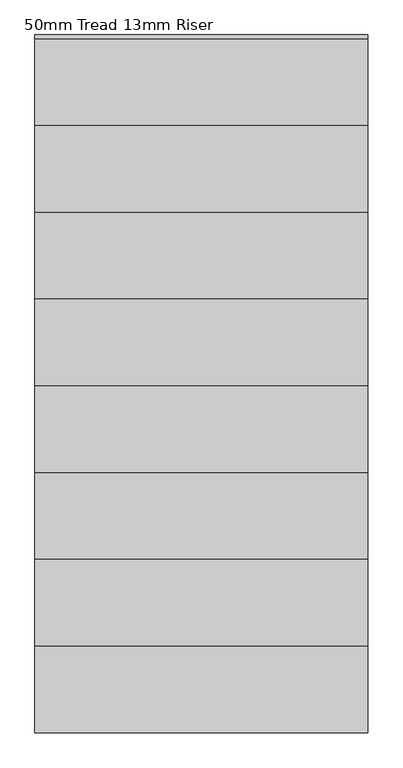
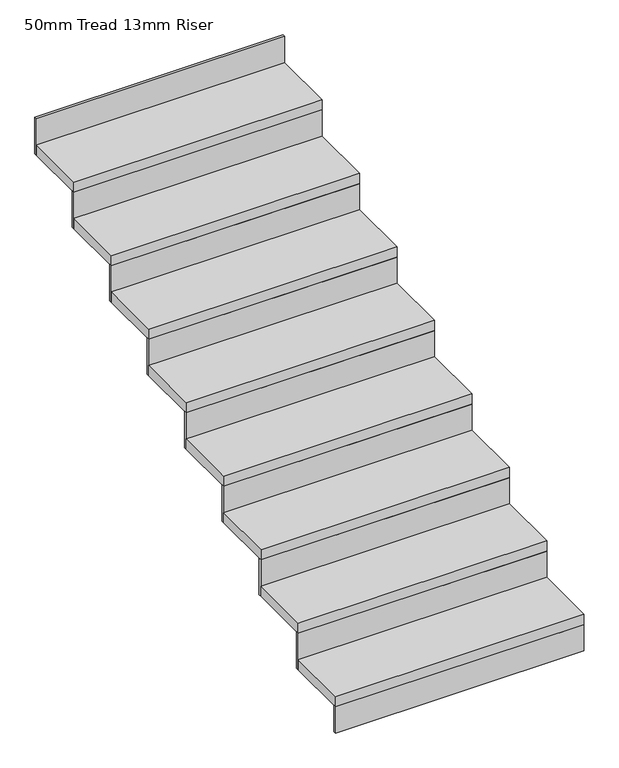
"""IFC4 building model written with IfcOpenShell, lengths in millimetres: stair flight geometry, 50mm Tread 13mm Riser."""

from ifc_helpers import new_model, si_unit, frame, origin, place, context, project, spatial, polyline, outline, extrude, source, transform, mapped, element, save


def stair_flight_50mm_tread_13mm_riser_8bbaaea0(model_context):
    return source(origin(), model_context, "Body", "SweptSolid", [
        extrude(outline(polyline([(1545.5456242, -11461.1525014), (1545.5456242, -11473.6525014), (395.5456243, -11473.6525014), (395.5456243, -11461.1525014), (1545.5456242, -11461.1525014)])), frame((0.0, 0.0, -6400.0), z_axis=(0.0, 0.0, 1.0), x_axis=(1.0, 0.0, 0.0)), (0.0, 0.0, 1.0), 127.7777778),
        extrude(outline(polyline([(395.5456243, -11173.6525014), (1545.5456242, -11173.6525014), (1545.5456242, -11473.6525014), (395.5456243, -11473.6525014), (395.5456243, -11173.6525014)])), frame((0.0, 0.0, -6272.2222222), z_axis=(0.0, 0.0, 1.0), x_axis=(1.0, 0.0, 0.0)), (0.0, 0.0, 1.0), 50.0),
        extrude(outline(polyline([(1545.5456242, -11161.1525014), (1545.5456242, -11173.6525014), (395.5456243, -11173.6525014), (395.5456243, -11161.1525014), (1545.5456242, -11161.1525014)])), frame((0.0, 0.0, -6272.2222222), z_axis=(0.0, 0.0, 1.0), x_axis=(1.0, 0.0, 0.0)), (0.0, 0.0, 1.0), 177.7777778),
        extrude(outline(polyline([(395.5456243, -10873.6525014), (1545.5456242, -10873.6525014), (1545.5456242, -11173.6525014), (395.5456243, -11173.6525014), (395.5456243, -10873.6525014)])), frame((0.0, 0.0, -6094.4444444), z_axis=(0.0, 0.0, 1.0), x_axis=(1.0, 0.0, 0.0)), (0.0, 0.0, 1.0), 50.0),
        extrude(outline(polyline([(1545.5456242, -10861.1525014), (1545.5456242, -10873.6525014), (395.5456243, -10873.6525014), (395.5456243, -10861.1525014), (1545.5456242, -10861.1525014)])), frame((0.0, 0.0, -6094.4444444), z_axis=(0.0, 0.0, 1.0), x_axis=(1.0, 0.0, 0.0)), (0.0, 0.0, 1.0), 177.7777778),
        extrude(outline(polyline([(395.5456243, -10573.6525014), (1545.5456242, -10573.6525014), (1545.5456242, -10873.6525014), (395.5456243, -10873.6525014), (395.5456243, -10573.6525014)])), frame((0.0, 0.0, -5916.6666667), z_axis=(0.0, 0.0, 1.0), x_axis=(1.0, 0.0, 0.0)), (0.0, 0.0, 1.0), 50.0),
        extrude(outline(polyline([(1545.5456242, -10561.1525014), (1545.5456242, -10573.6525014), (395.5456243, -10573.6525014), (395.5456243, -10561.1525014), (1545.5456242, -10561.1525014)])), frame((0.0, 0.0, -5916.6666667), z_axis=(0.0, 0.0, 1.0), x_axis=(1.0, 0.0, 0.0)), (0.0, 0.0, 1.0), 177.7777778),
        extrude(outline(polyline([(395.5456243, -10273.6525014), (1545.5456242, -10273.6525014), (1545.5456242, -10573.6525014), (395.5456243, -10573.6525014), (395.5456243, -10273.6525014)])), frame((0.0, 0.0, -5738.8888889), z_axis=(0.0, 0.0, 1.0), x_axis=(1.0, 0.0, 0.0)), (0.0, 0.0, 1.0), 50.0),
        extrude(outline(polyline([(1545.5456242, -10261.1525014), (1545.5456242, -10273.6525014), (395.5456243, -10273.6525014), (395.5456243, -10261.1525014), (1545.5456242, -10261.1525014)])), frame((0.0, 0.0, -5738.8888889), z_axis=(0.0, 0.0, 1.0), x_axis=(1.0, 0.0, 0.0)), (0.0, 0.0, 1.0), 177.7777778),
        extrude(outline(polyline([(395.5456243, -9973.6525014), (1545.5456242, -9973.6525014), (1545.5456242, -10273.6525014), (395.5456243, -10273.6525014), (395.5456243, -9973.6525014)])), frame((0.0, 0.0, -5561.1111111), z_axis=(0.0, 0.0, 1.0), x_axis=(1.0, 0.0, 0.0)), (0.0, 0.0, 1.0), 50.0),
        extrude(outline(polyline([(1545.5456242, -9961.1525014), (1545.5456242, -9973.6525014), (395.5456243, -9973.6525014), (395.5456243, -9961.1525014), (1545.5456242, -9961.1525014)])), frame((0.0, 0.0, -5561.1111111), z_axis=(0.0, 0.0, 1.0), x_axis=(1.0, 0.0, 0.0)), (0.0, 0.0, 1.0), 177.7777778),
        extrude(outline(polyline([(395.5456243, -9673.6525014), (1545.5456242, -9673.6525014), (1545.5456242, -9973.6525014), (395.5456243, -9973.6525014), (395.5456243, -9673.6525014)])), frame((0.0, 0.0, -5383.3333333), z_axis=(0.0, 0.0, 1.0), x_axis=(1.0, 0.0, 0.0)), (0.0, 0.0, 1.0), 50.0),
        extrude(outline(polyline([(1545.5456242, -9661.1525014), (1545.5456242, -9673.6525014), (395.5456243, -9673.6525014), (395.5456243, -9661.1525014), (1545.5456242, -9661.1525014)])), frame((0.0, 0.0, -5383.3333333), z_axis=(0.0, 0.0, 1.0), x_axis=(1.0, 0.0, 0.0)), (0.0, 0.0, 1.0), 177.7777778),
        extrude(outline(polyline([(395.5456243, -9373.6525014), (1545.5456242, -9373.6525014), (1545.5456242, -9673.6525014), (395.5456243, -9673.6525014), (395.5456243, -9373.6525014)])), frame((0.0, 0.0, -5205.5555556), z_axis=(0.0, 0.0, 1.0), x_axis=(1.0, 0.0, 0.0)), (0.0, 0.0, 1.0), 50.0),
        extrude(outline(polyline([(1545.5456242, -9361.1525014), (1545.5456242, -9373.6525014), (395.5456243, -9373.6525014), (395.5456243, -9361.1525014), (1545.5456242, -9361.1525014)])), frame((0.0, 0.0, -5205.5555556), z_axis=(0.0, 0.0, 1.0), x_axis=(1.0, 0.0, 0.0)), (0.0, 0.0, 1.0), 177.7777778),
        extrude(outline(polyline([(1545.5456242, -9061.1525014), (1545.5456242, -9073.6525014), (395.5456243, -9073.6525014), (395.5456243, -9061.1525014), (1545.5456242, -9061.1525014)])), frame((0.0, 0.0, -5027.7777778), z_axis=(0.0, 0.0, 1.0), x_axis=(1.0, 0.0, 0.0)), (0.0, 0.0, 1.0), 177.7777778),
        extrude(outline(polyline([(395.5456243, -9073.6525014), (1545.5456242, -9073.6525014), (1545.5456242, -9373.6525014), (395.5456243, -9373.6525014), (395.5456243, -9073.6525014)])), frame((0.0, 0.0, -5027.7777778), z_axis=(0.0, 0.0, 1.0), x_axis=(1.0, 0.0, 0.0)), (0.0, 0.0, 1.0), 50.0),
    ])


if __name__ == "__main__":
    model = new_model("IFC4")
    model_context = context("Model", 3, world=origin())
    ifc_project = project(units=[si_unit("LENGTHUNIT", "METRE", prefix="MILLI")], contexts=[model_context])
    site = spatial("IfcSite", under=ifc_project)
    building = spatial("IfcBuilding", under=site)
    placement = place(None, origin())
    stair_flight_50mm_tread_13mm_riser_shape = stair_flight_50mm_tread_13mm_riser_8bbaaea0(model_context)
    element("IfcStairFlight", 1, ObjectType="50mm Tread 13mm Riser", at=placement, inside=building, context=model_context, shape_type="MappedRepresentation", body=[
        mapped(stair_flight_50mm_tread_13mm_riser_shape, transform((0.0, 0.0, 0.0), x_axis=(1.0, 0.0, 0.0), y_axis=(0.0, 1.0, 0.0), z_axis=(0.0, 0.0, 1.0))),
    ])
    save(model, "model.ifc")
